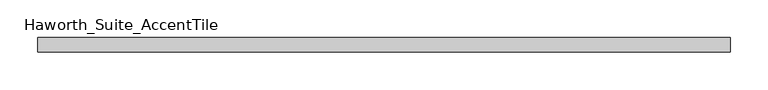
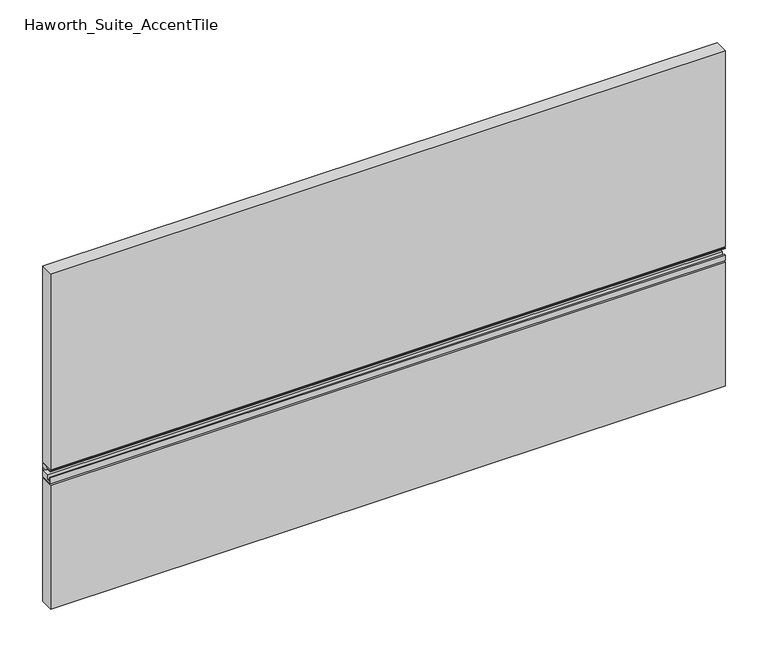
"""IFC4 building model written with IfcOpenShell, lengths in millimetres: furniture geometry, Haworth_Suite_AccentTile."""

from ifc_helpers import new_model, si_unit, frame, origin, place, context, project, spatial, polyline, outline, extrude, source, transform, mapped, element, save


def haworth_suite_accenttile_aca21f60(model_context):
    return source(origin(), model_context, "Body", "SweptSolid", [
        extrude(outline(polyline([(-12.7, 949.3248997), (-12.7, 930.275), (-31.1785, 930.275), (-31.1785, 938.675), (-28.9785001, 938.675), (-28.9785001, 932.175), (-23.8125, 932.175), (-23.8125, 938.675), (-13.3124999, 938.675), (-13.3124999, 943.78772), (-20.17522, 943.78772), (-23.8125, 947.425), (-31.1785, 947.425), (-31.1785, 949.325), (-12.7, 949.3248997)])), frame((-469.9, 0.0, 0.0), z_axis=(1.0, 0.0, 0.0), x_axis=(0.0, 1.0, 0.0)), (0.0, 0.0, 1.0), 914.4),
        extrude(outline(polyline([(444.5, -12.7), (444.5, -31.75), (-469.9, -31.75), (-469.9, -12.7), (444.5, -12.7)])), frame((0.0, 0.0, 950.9125), z_axis=(0.0, 0.0, 1.0), x_axis=(1.0, 0.0, 0.0)), (0.0, 0.0, 1.0), 280.9875),
        extrude(outline(polyline([(444.5, -12.7), (444.5, -31.75), (-469.9, -31.75), (-469.9, -12.7), (444.5, -12.7)])), frame((0.0, 0.0, 750.8875), z_axis=(0.0, 0.0, 1.0), x_axis=(1.0, 0.0, 0.0)), (0.0, 0.0, 1.0), 177.8),
    ])


if __name__ == "__main__":
    model = new_model("IFC4")
    model_context = context("Model", 3, world=origin())
    ifc_project = project(units=[si_unit("LENGTHUNIT", "METRE", prefix="MILLI")], contexts=[model_context])
    site = spatial("IfcSite", under=ifc_project)
    building = spatial("IfcBuilding", under=site)
    placement = place(None, origin())
    haworth_suite_accenttile_shape = haworth_suite_accenttile_aca21f60(model_context)
    element("IfcFurniture", 1, ObjectType="Haworth_Suite_AccentTile", at=placement, inside=building, context=model_context, shape_type="MappedRepresentation", body=[
        mapped(haworth_suite_accenttile_shape, transform((0.0, 0.0, 0.0), x_axis=(1.0, 0.0, 0.0), y_axis=(0.0, 1.0, 0.0), z_axis=(0.0, 0.0, 1.0))),
    ])
    save(model, "model.ifc")
